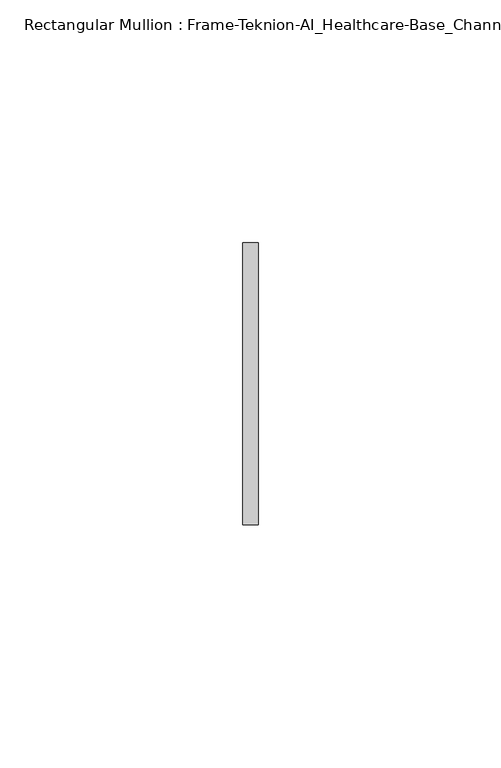
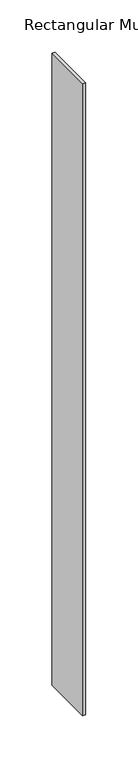
"""IFC4 building model written with IfcOpenShell, lengths in millimetres: member geometry, Rectangular Mullion : Frame-Teknion-AI_Healthcare-Base_Channel."""

from ifc_helpers import new_model, si_unit, frame, origin, place, context, project, spatial, polyline, outline, extrude, source, transform, mapped, element, save


def rectangular_mullion_frame_teknion_ai_healthcare_base_channel_925fae5e(model_context):
    return source(origin(), model_context, "Body", "SweptSolid", [
        extrude(outline(polyline([(0.0, 29.0214844), (0.0, -29.0214844), (-3.175, -29.0214844), (-3.175, 29.0214844), (0.0, 29.0214844)])), frame((0.0, 0.0, -736.6), z_axis=(0.0, 0.0, 1.0), x_axis=(1.0, 0.0, 0.0)), (0.0, 0.0, 1.0), 736.6),
    ])


if __name__ == "__main__":
    model = new_model("IFC4")
    model_context = context("Model", 3, world=origin())
    ifc_project = project(units=[si_unit("LENGTHUNIT", "METRE", prefix="MILLI")], contexts=[model_context])
    site = spatial("IfcSite", under=ifc_project)
    building = spatial("IfcBuilding", under=site)
    placement = place(None, origin())
    rectangular_mullion_frame_teknion_ai_healthcare_base_channel_shape = rectangular_mullion_frame_teknion_ai_healthcare_base_channel_925fae5e(model_context)
    element("IfcMember", 1, ObjectType="Rectangular Mullion : Frame-Teknion-AI_Healthcare-Base_Channel", at=placement, inside=building, context=model_context, shape_type="MappedRepresentation", body=[
        mapped(rectangular_mullion_frame_teknion_ai_healthcare_base_channel_shape, transform((0.0, 0.0, 0.0), x_axis=(1.0, 0.0, 0.0), y_axis=(0.0, 1.0, 0.0), z_axis=(0.0, 0.0, 1.0))),
    ])
    save(model, "model.ifc")
